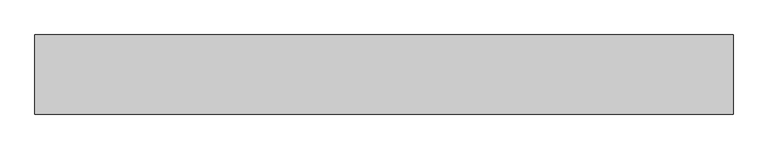
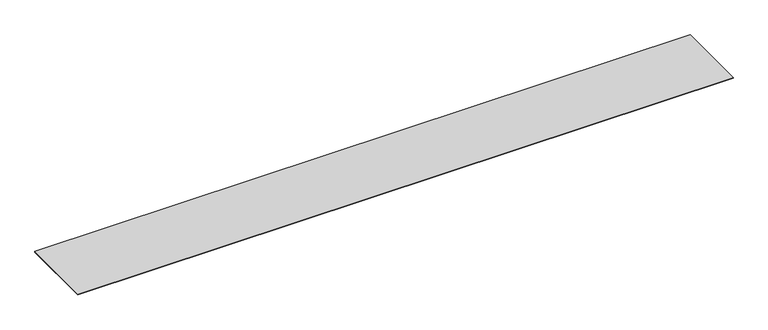
"""IFC4 building model written with IfcOpenShell, lengths in millimetres: proxy geometry."""

from ifc_helpers import new_model, si_unit, origin, origin_with_axes, place, context, project, spatial, polyline, outline, extrude, source, transform, mapped, element, save


def generic_models_81db488e(model_context):
    return source(origin(), model_context, "Body", "SweptSolid", [
        extrude(outline(polyline([(12333.3333333, 0.0), (12333.3333333, -1398.5), (0.0, -1398.5), (0.0, 0.0), (12333.3333333, 0.0)])), origin_with_axes(), (0.0, 0.0, 1.0), 15.0),
    ])


if __name__ == "__main__":
    model = new_model("IFC4")
    model_context = context("Model", 3, world=origin())
    ifc_project = project(units=[si_unit("LENGTHUNIT", "METRE", prefix="MILLI")], contexts=[model_context])
    site = spatial("IfcSite", under=ifc_project)
    building = spatial("IfcBuilding", under=site)
    placement = place(None, origin())
    generic_models_shape = generic_models_81db488e(model_context)
    element("IfcBuildingElementProxy", 1, Name="Generic Models", at=placement, inside=building, context=model_context, shape_type="MappedRepresentation", body=[
        mapped(generic_models_shape, transform((0.0, 0.0, 0.0), x_axis=(1.0, 0.0, 0.0), y_axis=(0.0, 1.0, 0.0), z_axis=(0.0, 0.0, 1.0))),
    ])
    save(model, "model.ifc")
